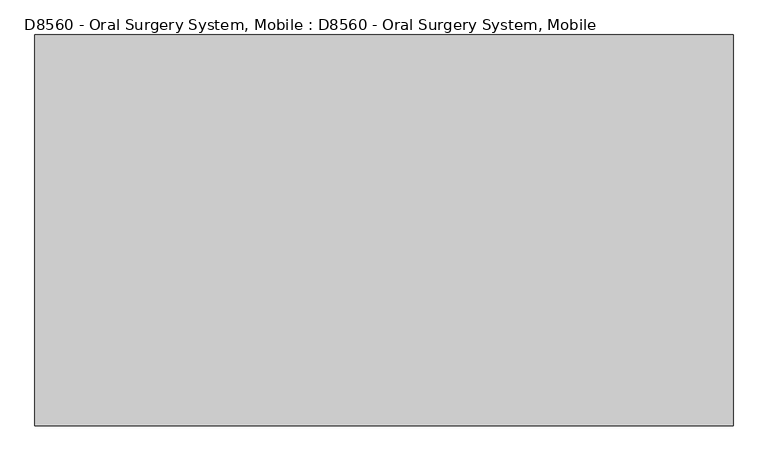
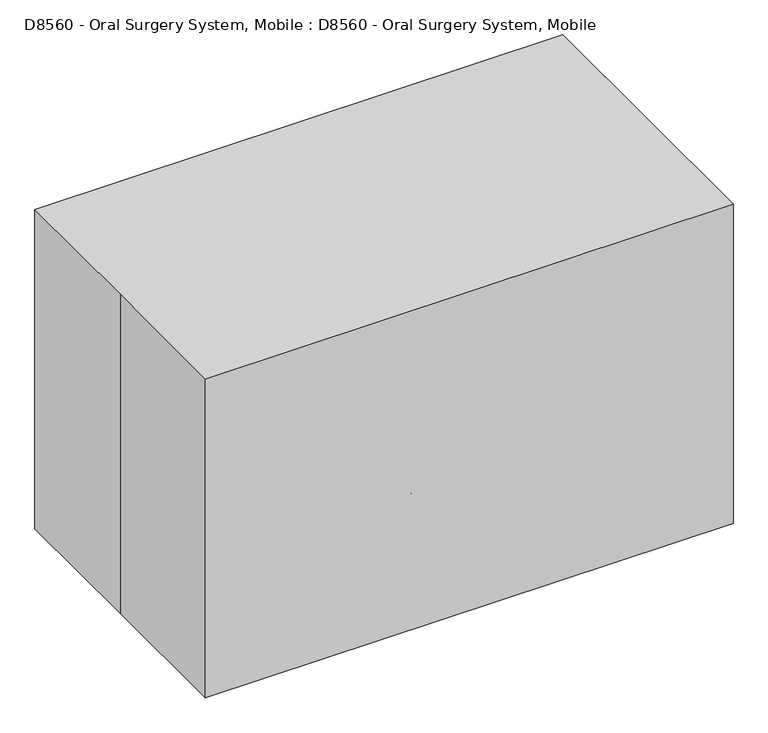
"""IFC4 building model written with IfcOpenShell, lengths in millimetres: proxy geometry, D8560 - Oral Surgery System, Mobile : D8560 - Oral Surgery System, Mobile."""

from ifc_helpers import new_model, si_unit, point, frame, frame_2d, origin, origin_with_axes, place, context, project, spatial, polyline, circle_curve, ellipse_curve, trimmed, segment, composite_curve, outline, extrude, source, transform, mapped, element, save
from ifc_brep_helpers import plane_surface, cylinder_surface, revolved_surface, advanced_brep


def d8560_oral_surgery_system_mobile_d8560_oral_surgery_system_e9309131(model_context):
    return source(origin(), model_context, "Body", "SolidModel", [
        advanced_brep(
        [(-25.4, 0.0, 586.3697178), (25.4, 0.0, 586.3697178), (-8.5967296, 23.9009674, 84.7967296), (8.5967296, 23.9009674, 84.7967296), (8.5967296, -23.9009674, 84.7967296), (-8.5967296, -23.9009674, 84.7967296), (-25.4, 0.0, 101.6), (25.4, 0.0, 101.6), (-177.8, -228.6, 76.2), (-228.6, -228.6, 76.2), (-177.8, -25.4, 76.2), (-228.6, 25.4, 76.2), (177.8, -25.4, 76.2), (228.6, 25.4, 76.2), (177.8, -228.6, 76.2), (228.6, -228.6, 76.2)],
        [
            (0, 1, circle_curve(frame((0.0, 0.0, 586.3697178), z_axis=(0.0, 0.0, 1.0), x_axis=(1.0, 0.0, 0.0)), 25.4)),
            (1, 0, circle_curve(frame((0.0, 0.0, 586.3697178), z_axis=(0.0, 0.0, 1.0), x_axis=(1.0, 0.0, 0.0)), 25.4)),
            (2, 3, circle_curve(frame((0.0, 0.0, 84.7967296), z_axis=(0.0, 0.0, -1.0), x_axis=(1.0, 0.0, 0.0)), 25.4)),
            (3, 2),
            (4, 5, circle_curve(frame((0.0, 0.0, 84.7967296), z_axis=(0.0, 0.0, -1.0), x_axis=(1.0, 0.0, 0.0)), 25.4)),
            (5, 4),
            (0, 6),
            (6, 5, ellipse_curve(frame((0.0, 0.0, 76.2), z_axis=(0.7071067811865475, 0.0, 0.7071067811865475), x_axis=(-0.7071067811865474, 0.0, 0.7071067811865476)), 35.9210245, 25.4)),
            (4, 7, ellipse_curve(frame((0.0, 0.0, 76.2), z_axis=(-0.7071067811865475, 0.0, 0.7071067811865475), x_axis=(0.7071067811865474, 0.0, 0.7071067811865476)), 35.9210245, 25.4)),
            (7, 1),
            (7, 3, ellipse_curve(frame((0.0, 0.0, 76.2), z_axis=(-0.7071067811865475, 0.0, 0.7071067811865475), x_axis=(0.7071067811865474, 0.0, 0.7071067811865476)), 35.9210245, 25.4)),
            (2, 6, ellipse_curve(frame((0.0, 0.0, 76.2), z_axis=(0.7071067811865475, 0.0, 0.7071067811865475), x_axis=(-0.7071067811865474, 0.0, 0.7071067811865476)), 35.9210245, 25.4)),
            (8, 9, circle_curve(frame((-203.2, -228.6, 76.2), z_axis=(0.0, -1.0, 0.0), x_axis=(-1.0, 0.0, 0.0)), 25.4)),
            (9, 8, circle_curve(frame((-203.2, -228.6, 76.2), z_axis=(0.0, -1.0, 0.0), x_axis=(-1.0, 0.0, 0.0)), 25.4)),
            (8, 10),
            (10, 11, ellipse_curve(frame((-203.2, 0.0, 76.2), z_axis=(-0.7071067811865475, -0.7071067811865475, 0.0), x_axis=(0.7071067811865474, -0.7071067811865476, 0.0)), 35.9210245, 25.4)),
            (11, 9),
            (11, 10, ellipse_curve(frame((-203.2, 0.0, 76.2), z_axis=(-0.7071067811865475, -0.7071067811865475, 0.0), x_axis=(0.7071067811865474, -0.7071067811865476, 0.0)), 35.9210245, 25.4)),
            (10, 12),
            (12, 13, ellipse_curve(frame((203.2, 0.0, 76.2), z_axis=(-0.7071067811865475, 0.7071067811865475, 0.0), x_axis=(-0.7071067811865476, -0.7071067811865474, 0.0)), 35.9210245, 25.4)),
            (13, 11),
            (13, 12, ellipse_curve(frame((203.2, 0.0, 76.2), z_axis=(-0.7071067811865475, 0.7071067811865475, 0.0), x_axis=(-0.7071067811865476, -0.7071067811865474, 0.0)), 35.9210245, 25.4)),
            (14, 15, circle_curve(frame((203.2, -228.6, 76.2), z_axis=(0.0, -1.0, 0.0), x_axis=(1.0, 0.0, 0.0)), 25.4)),
            (15, 14, circle_curve(frame((203.2, -228.6, 76.2), z_axis=(0.0, -1.0, 0.0), x_axis=(1.0, 0.0, 0.0)), 25.4)),
            (12, 14),
            (15, 13),
        ],
        [
            plane_surface(frame((25.4, 0.0, 586.3697178), z_axis=(0.0, 0.0, 1.0), x_axis=(0.0, 1.0, 0.0))),
            plane_surface(frame((25.4, 0.0, 84.7967296), z_axis=(0.0, 0.0, -1.0), x_axis=(0.0, -1.0, 0.0))),
            cylinder_surface(frame((0.0, 0.0, 84.7967296), z_axis=(0.0, 0.0, 1.0), x_axis=(1.0, 0.0, 0.0)), 25.4),
            plane_surface(frame((-203.2, -228.6, 0.0), z_axis=(0.0, -1.0, 0.0), x_axis=(0.0, 0.0, 1.0))),
            cylinder_surface(frame((-203.2, -228.6, 76.2), z_axis=(0.0, -1.0, 0.0), x_axis=(-1.0, 0.0, 0.0)), 25.4),
            cylinder_surface(frame((-203.2, 0.0, 76.2), z_axis=(-1.0, 0.0, 0.0), x_axis=(0.0, 1.0, 0.0)), 25.4),
            plane_surface(frame((203.2, -228.6, 0.0), z_axis=(0.0, -1.0, 0.0), x_axis=(0.0, 0.0, 1.0))),
            cylinder_surface(frame((203.2, 0.0, 76.2), z_axis=(0.0, 1.0, 0.0), x_axis=(1.0, 0.0, 0.0)), 25.4),
        ],
        [
            (0, [[1, 2]]),
            (1, [[3, 4]]),
            (1, [[5, 6]]),
            (2, [[-1, 7, 8, -5, 9, 10]]),
            (2, [[-2, -10, 11, -3, 12, -7]]),
            (3, [[13, 14]]),
            (4, [[-13, 15, 16, 17]]),
            (4, [[-14, -17, 18, -15]]),
            (5, [[-16, 19, 20, 21], [-4, -11, -9, -6, -8, -12]]),
            (5, [[-18, -21, 22, -19]]),
            (6, [[23, 24]]),
            (7, [[-20, 25, -24, 26]]),
            (7, [[-22, -26, -23, -25]]),
        ],
    ),
        extrude(outline(composite_curve([segment(trimmed(circle_curve(frame_2d((-16.1162941, 25.4533441)), 25.4), [point((-41.5162941, 25.4533441))], [point((9.2837059, 25.4533441))], False, "CARTESIAN"), True, "CONTINUOUS"), segment(trimmed(circle_curve(frame_2d((-16.1162941, 25.4533441)), 25.4), [point((9.2837059, 25.4533441))], [point((-41.5162941, 25.4533441))], False, "CARTESIAN"), True, "CONTINUOUS")], self_intersect=False)), frame((-215.9, 0.0, 0.0), z_axis=(1.0, 0.0, 0.0), x_axis=(0.0, 1.0, 0.0)), (0.0, 0.0, 1.0), 25.4),
        extrude(outline(composite_curve([segment(trimmed(circle_curve(frame_2d((-200.2662941, 25.4533441)), 25.4), [point((-225.6662941, 25.4533441))], [point((-174.8662941, 25.4533441))], False, "CARTESIAN"), True, "CONTINUOUS"), segment(trimmed(circle_curve(frame_2d((-200.2662941, 25.4533441)), 25.4), [point((-174.8662941, 25.4533441))], [point((-225.6662941, 25.4533441))], False, "CARTESIAN"), True, "CONTINUOUS")], self_intersect=False)), frame((-215.9, 0.0, 0.0), z_axis=(1.0, 0.0, 0.0), x_axis=(0.0, 1.0, 0.0)), (0.0, 0.0, 1.0), 25.4),
        extrude(outline(composite_curve([segment(trimmed(circle_curve(frame_2d((-16.1162941, 25.4533441)), 25.4), [point((-41.5162941, 25.4533441))], [point((9.2837059, 25.4533441))], False, "CARTESIAN"), True, "CONTINUOUS"), segment(trimmed(circle_curve(frame_2d((-16.1162941, 25.4533441)), 25.4), [point((9.2837059, 25.4533441))], [point((-41.5162941, 25.4533441))], False, "CARTESIAN"), True, "CONTINUOUS")], self_intersect=False)), frame((190.5, 0.0, 0.0), z_axis=(1.0, 0.0, 0.0), x_axis=(0.0, 1.0, 0.0)), (0.0, 0.0, 1.0), 25.4),
        extrude(outline(composite_curve([segment(trimmed(circle_curve(frame_2d((-200.2662941, 25.4533441)), 25.4), [point((-225.6662941, 25.4533441))], [point((-174.8662941, 25.4533441))], False, "CARTESIAN"), True, "CONTINUOUS"), segment(trimmed(circle_curve(frame_2d((-200.2662941, 25.4533441)), 25.4), [point((-174.8662941, 25.4533441))], [point((-225.6662941, 25.4533441))], False, "CARTESIAN"), True, "CONTINUOUS")], self_intersect=False)), frame((190.5, 0.0, 0.0), z_axis=(1.0, 0.0, 0.0), x_axis=(0.0, 1.0, 0.0)), (0.0, 0.0, 1.0), 25.4),
        advanced_brep(
        [(-84.3168659, -294.2696287, 539.2894616), (-77.9283092, -294.2696287, 539.2894616), (-84.3168659, -294.2696287, 355.1394616), (-77.9283092, -294.2696287, 355.1394616), (-77.9283092, -332.3696287, 355.1394616), (-84.3168659, -332.3696287, 355.1394616), (-84.3168659, -332.3696287, 539.2894616), (-77.9283092, -332.3696287, 539.2894616)],
        [
            (0, 1, circle_curve(frame((-81.1225875, -294.2696287, 539.2894616), z_axis=(0.0, 0.0, 1.0), x_axis=(1.0, 0.0, 0.0)), 3.1942784)),
            (1, 0, circle_curve(frame((-81.1225875, -294.2696287, 539.2894616), z_axis=(0.0, 0.0, 1.0), x_axis=(1.0, 0.0, 0.0)), 3.1942784)),
            (0, 2),
            (2, 3, circle_curve(frame((-81.1225875, -294.2696287, 355.1394616), z_axis=(0.0, 0.0, 1.0), x_axis=(1.0, 0.0, 0.0)), 3.1942784)),
            (3, 1),
            (3, 2, circle_curve(frame((-81.1225875, -294.2696287, 355.1394616), z_axis=(0.0, 0.0, 1.0), x_axis=(1.0, 0.0, 0.0)), 3.1942784)),
            (4, 3, circle_curve(frame((-77.9283092, -313.3196287, 355.1394616), z_axis=(1.0, 0.0, 0.0), x_axis=(0.0, 1.0, 0.0)), 19.05)),
            (2, 5, circle_curve(frame((-84.3168659, -313.3196287, 355.1394616), z_axis=(-1.0, 0.0, 0.0), x_axis=(0.0, 1.0, 0.0)), 19.05)),
            (5, 4, circle_curve(frame((-81.1225875, -332.3696287, 355.1394616), z_axis=(0.0, 0.0, -1.0), x_axis=(1.0, 0.0, 0.0)), 3.1942784)),
            (4, 5, circle_curve(frame((-81.1225875, -332.3696287, 355.1394616), z_axis=(0.0, 0.0, -1.0), x_axis=(1.0, 0.0, 0.0)), 3.1942784)),
            (6, 7, circle_curve(frame((-81.1225875, -332.3696287, 539.2894616), z_axis=(0.0, 0.0, 1.0), x_axis=(1.0, 0.0, 0.0)), 3.1942784)),
            (7, 6, circle_curve(frame((-81.1225875, -332.3696287, 539.2894616), z_axis=(0.0, 0.0, 1.0), x_axis=(1.0, 0.0, 0.0)), 3.1942784)),
            (5, 6),
            (7, 4),
        ],
        [
            plane_surface(frame((-81.1225875, -294.2696287, 539.2894616), z_axis=(0.0, 0.0, 1.0), x_axis=(1.0, 0.0, 0.0))),
            cylinder_surface(frame((-81.1225875, -294.2696287, 539.2894616), z_axis=(0.0, 0.0, 1.0), x_axis=(1.0, 0.0, 0.0)), 3.1942784),
            revolved_surface(trimmed(ellipse_curve(frame((-81.1225875, -294.2696287, 355.1394616), z_axis=(0.0, 0.0, 1.0), x_axis=(1.0, 0.0, 0.0)), 3.1942784, 3.1942784), [point((-84.3168659, -294.2696287, 355.1394616))], [point((-77.9283092, -294.2696287, 355.1394616))], True, "CARTESIAN"), (-81.1225875, -313.3196287, 355.1394616), (-1.0, 0.0, 0.0)),
            revolved_surface(trimmed(ellipse_curve(frame((-81.1225875, -294.2696287, 355.1394616), z_axis=(0.0, 0.0, 1.0), x_axis=(1.0, 0.0, 0.0)), 3.1942784, 3.1942784), [point((-77.9283092, -294.2696287, 355.1394616))], [point((-84.3168659, -294.2696287, 355.1394616))], True, "CARTESIAN"), (-81.1225875, -313.3196287, 355.1394616), (-1.0, 0.0, 0.0)),
            plane_surface(frame((-81.1225875, -332.3696287, 539.2894616), z_axis=(0.0, 0.0, 1.0), x_axis=(1.0, 0.0, 0.0))),
            cylinder_surface(frame((-81.1225875, -332.3696287, 355.1394616), z_axis=(0.0, 0.0, -1.0), x_axis=(1.0, 0.0, 0.0)), 3.1942784),
        ],
        [
            (0, [[1, 2]]),
            (1, [[-1, 3, 4, 5]]),
            (1, [[-2, -5, 6, -3]]),
            (2, [[7, -4, 8, 9]]),
            (3, [[-8, -6, -7, 10]]),
            (4, [[11, 12]]),
            (5, [[-9, 13, -12, 14]]),
            (5, [[-10, -14, -11, -13]]),
        ],
    ),
        advanced_brep(
        [(-33.5168659, -294.2696287, 539.2894616), (-27.1283092, -294.2696287, 539.2894616), (-33.5168659, -294.2696287, 355.1394616), (-27.1283092, -294.2696287, 355.1394616), (-27.1283092, -332.3696287, 355.1394616), (-33.5168659, -332.3696287, 355.1394616), (-33.5168659, -332.3696287, 539.2894616), (-27.1283092, -332.3696287, 539.2894616)],
        [
            (0, 1, circle_curve(frame((-30.3225875, -294.2696287, 539.2894616), z_axis=(0.0, 0.0, 1.0), x_axis=(1.0, 0.0, 0.0)), 3.1942784)),
            (1, 0, circle_curve(frame((-30.3225875, -294.2696287, 539.2894616), z_axis=(0.0, 0.0, 1.0), x_axis=(1.0, 0.0, 0.0)), 3.1942784)),
            (0, 2),
            (2, 3, circle_curve(frame((-30.3225875, -294.2696287, 355.1394616), z_axis=(0.0, 0.0, 1.0), x_axis=(1.0, 0.0, 0.0)), 3.1942784)),
            (3, 1),
            (3, 2, circle_curve(frame((-30.3225875, -294.2696287, 355.1394616), z_axis=(0.0, 0.0, 1.0), x_axis=(1.0, 0.0, 0.0)), 3.1942784)),
            (4, 3, circle_curve(frame((-27.1283092, -313.3196287, 355.1394616), z_axis=(1.0, 0.0, 0.0), x_axis=(0.0, 1.0, 0.0)), 19.05)),
            (2, 5, circle_curve(frame((-33.5168659, -313.3196287, 355.1394616), z_axis=(-1.0, 0.0, 0.0), x_axis=(0.0, 1.0, 0.0)), 19.05)),
            (5, 4, circle_curve(frame((-30.3225875, -332.3696287, 355.1394616), z_axis=(0.0, 0.0, -1.0), x_axis=(1.0, 0.0, 0.0)), 3.1942784)),
            (4, 5, circle_curve(frame((-30.3225875, -332.3696287, 355.1394616), z_axis=(0.0, 0.0, -1.0), x_axis=(1.0, 0.0, 0.0)), 3.1942784)),
            (6, 7, circle_curve(frame((-30.3225875, -332.3696287, 539.2894616), z_axis=(0.0, 0.0, 1.0), x_axis=(1.0, 0.0, 0.0)), 3.1942784)),
            (7, 6, circle_curve(frame((-30.3225875, -332.3696287, 539.2894616), z_axis=(0.0, 0.0, 1.0), x_axis=(1.0, 0.0, 0.0)), 3.1942784)),
            (5, 6),
            (7, 4),
        ],
        [
            plane_surface(frame((-30.3225875, -294.2696287, 539.2894616), z_axis=(0.0, 0.0, 1.0), x_axis=(1.0, 0.0, 0.0))),
            cylinder_surface(frame((-30.3225875, -294.2696287, 539.2894616), z_axis=(0.0, 0.0, 1.0), x_axis=(1.0, 0.0, 0.0)), 3.1942784),
            revolved_surface(trimmed(ellipse_curve(frame((-30.3225875, -294.2696287, 355.1394616), z_axis=(0.0, 0.0, 1.0), x_axis=(1.0, 0.0, 0.0)), 3.1942784, 3.1942784), [point((-33.5168659, -294.2696287, 355.1394616))], [point((-27.1283092, -294.2696287, 355.1394616))], True, "CARTESIAN"), (-30.3225875, -313.3196287, 355.1394616), (-1.0, 0.0, 0.0)),
            revolved_surface(trimmed(ellipse_curve(frame((-30.3225875, -294.2696287, 355.1394616), z_axis=(0.0, 0.0, 1.0), x_axis=(1.0, 0.0, 0.0)), 3.1942784, 3.1942784), [point((-27.1283092, -294.2696287, 355.1394616))], [point((-33.5168659, -294.2696287, 355.1394616))], True, "CARTESIAN"), (-30.3225875, -313.3196287, 355.1394616), (-1.0, 0.0, 0.0)),
            plane_surface(frame((-30.3225875, -332.3696287, 539.2894616), z_axis=(0.0, 0.0, 1.0), x_axis=(1.0, 0.0, 0.0))),
            cylinder_surface(frame((-30.3225875, -332.3696287, 355.1394616), z_axis=(0.0, 0.0, -1.0), x_axis=(1.0, 0.0, 0.0)), 3.1942784),
        ],
        [
            (0, [[1, 2]]),
            (1, [[-1, 3, 4, 5]]),
            (1, [[-2, -5, 6, -3]]),
            (2, [[7, -4, 8, 9]]),
            (3, [[-8, -6, -7, 10]]),
            (4, [[11, 12]]),
            (5, [[-9, 13, -12, 14]]),
            (5, [[-10, -14, -11, -13]]),
        ],
    ),
        advanced_brep(
        [(17.2831341, -294.2696287, 539.2894616), (23.6716908, -294.2696287, 539.2894616), (17.2831341, -294.2696287, 355.1394616), (23.6716908, -294.2696287, 355.1394616), (23.6716908, -332.3696287, 355.1394616), (17.2831341, -332.3696287, 355.1394616), (17.2831341, -332.3696287, 539.2894616), (23.6716908, -332.3696287, 539.2894616)],
        [
            (0, 1, circle_curve(frame((20.4774125, -294.2696287, 539.2894616), z_axis=(0.0, 0.0, 1.0), x_axis=(1.0, 0.0, 0.0)), 3.1942784)),
            (1, 0, circle_curve(frame((20.4774125, -294.2696287, 539.2894616), z_axis=(0.0, 0.0, 1.0), x_axis=(1.0, 0.0, 0.0)), 3.1942784)),
            (0, 2),
            (2, 3, circle_curve(frame((20.4774125, -294.2696287, 355.1394616), z_axis=(0.0, 0.0, 1.0), x_axis=(1.0, 0.0, 0.0)), 3.1942784)),
            (3, 1),
            (3, 2, circle_curve(frame((20.4774125, -294.2696287, 355.1394616), z_axis=(0.0, 0.0, 1.0), x_axis=(1.0, 0.0, 0.0)), 3.1942784)),
            (4, 3, circle_curve(frame((23.6716908, -313.3196287, 355.1394616), z_axis=(1.0, 0.0, 0.0), x_axis=(0.0, 1.0, 0.0)), 19.05)),
            (2, 5, circle_curve(frame((17.2831341, -313.3196287, 355.1394616), z_axis=(-1.0, 0.0, 0.0), x_axis=(0.0, 1.0, 0.0)), 19.05)),
            (5, 4, circle_curve(frame((20.4774125, -332.3696287, 355.1394616), z_axis=(0.0, 0.0, -1.0), x_axis=(1.0, 0.0, 0.0)), 3.1942784)),
            (4, 5, circle_curve(frame((20.4774125, -332.3696287, 355.1394616), z_axis=(0.0, 0.0, -1.0), x_axis=(1.0, 0.0, 0.0)), 3.1942784)),
            (6, 7, circle_curve(frame((20.4774125, -332.3696287, 539.2894616), z_axis=(0.0, 0.0, 1.0), x_axis=(1.0, 0.0, 0.0)), 3.1942784)),
            (7, 6, circle_curve(frame((20.4774125, -332.3696287, 539.2894616), z_axis=(0.0, 0.0, 1.0), x_axis=(1.0, 0.0, 0.0)), 3.1942784)),
            (5, 6),
            (7, 4),
        ],
        [
            plane_surface(frame((20.4774125, -294.2696287, 539.2894616), z_axis=(0.0, 0.0, 1.0), x_axis=(1.0, 0.0, 0.0))),
            cylinder_surface(frame((20.4774125, -294.2696287, 539.2894616), z_axis=(0.0, 0.0, 1.0), x_axis=(1.0, 0.0, 0.0)), 3.1942784),
            revolved_surface(trimmed(ellipse_curve(frame((20.4774125, -294.2696287, 355.1394616), z_axis=(0.0, 0.0, 1.0), x_axis=(1.0, 0.0, 0.0)), 3.1942784, 3.1942784), [point((17.2831341, -294.2696287, 355.1394616))], [point((23.6716908, -294.2696287, 355.1394616))], True, "CARTESIAN"), (20.4774125, -313.3196287, 355.1394616), (-1.0, 0.0, 0.0)),
            revolved_surface(trimmed(ellipse_curve(frame((20.4774125, -294.2696287, 355.1394616), z_axis=(0.0, 0.0, 1.0), x_axis=(1.0, 0.0, 0.0)), 3.1942784, 3.1942784), [point((23.6716908, -294.2696287, 355.1394616))], [point((17.2831341, -294.2696287, 355.1394616))], True, "CARTESIAN"), (20.4774125, -313.3196287, 355.1394616), (-1.0, 0.0, 0.0)),
            plane_surface(frame((20.4774125, -332.3696287, 539.2894616), z_axis=(0.0, 0.0, 1.0), x_axis=(1.0, 0.0, 0.0))),
            cylinder_surface(frame((20.4774125, -332.3696287, 355.1394616), z_axis=(0.0, 0.0, -1.0), x_axis=(1.0, 0.0, 0.0)), 3.1942784),
        ],
        [
            (0, [[1, 2]]),
            (1, [[-1, 3, 4, 5]]),
            (1, [[-2, -5, 6, -3]]),
            (2, [[7, -4, 8, 9]]),
            (3, [[-8, -6, -7, 10]]),
            (4, [[11, 12]]),
            (5, [[-9, 13, -12, 14]]),
            (5, [[-10, -14, -11, -13]]),
        ],
    ),
        advanced_brep(
        [(68.0831341, -294.2696287, 539.2894616), (74.4716908, -294.2696287, 539.2894616), (68.0831341, -294.2696287, 355.1394616), (74.4716908, -294.2696287, 355.1394616), (74.4716908, -332.3696287, 355.1394616), (68.0831341, -332.3696287, 355.1394616), (68.0831341, -332.3696287, 539.2894616), (74.4716908, -332.3696287, 539.2894616)],
        [
            (0, 1, circle_curve(frame((71.2774125, -294.2696287, 539.2894616), z_axis=(0.0, 0.0, 1.0), x_axis=(1.0, 0.0, 0.0)), 3.1942784)),
            (1, 0, circle_curve(frame((71.2774125, -294.2696287, 539.2894616), z_axis=(0.0, 0.0, 1.0), x_axis=(1.0, 0.0, 0.0)), 3.1942784)),
            (0, 2),
            (2, 3, circle_curve(frame((71.2774125, -294.2696287, 355.1394616), z_axis=(0.0, 0.0, 1.0), x_axis=(1.0, 0.0, 0.0)), 3.1942784)),
            (3, 1),
            (3, 2, circle_curve(frame((71.2774125, -294.2696287, 355.1394616), z_axis=(0.0, 0.0, 1.0), x_axis=(1.0, 0.0, 0.0)), 3.1942784)),
            (4, 3, circle_curve(frame((74.4716908, -313.3196287, 355.1394616), z_axis=(1.0, 0.0, 0.0), x_axis=(0.0, 1.0, 0.0)), 19.05)),
            (2, 5, circle_curve(frame((68.0831341, -313.3196287, 355.1394616), z_axis=(-1.0, 0.0, 0.0), x_axis=(0.0, 1.0, 0.0)), 19.05)),
            (5, 4, circle_curve(frame((71.2774125, -332.3696287, 355.1394616), z_axis=(0.0, 0.0, -1.0), x_axis=(1.0, 0.0, 0.0)), 3.1942784)),
            (4, 5, circle_curve(frame((71.2774125, -332.3696287, 355.1394616), z_axis=(0.0, 0.0, -1.0), x_axis=(1.0, 0.0, 0.0)), 3.1942784)),
            (6, 7, circle_curve(frame((71.2774125, -332.3696287, 539.2894616), z_axis=(0.0, 0.0, 1.0), x_axis=(1.0, 0.0, 0.0)), 3.1942784)),
            (7, 6, circle_curve(frame((71.2774125, -332.3696287, 539.2894616), z_axis=(0.0, 0.0, 1.0), x_axis=(1.0, 0.0, 0.0)), 3.1942784)),
            (5, 6),
            (7, 4),
        ],
        [
            plane_surface(frame((71.2774125, -294.2696287, 539.2894616), z_axis=(0.0, 0.0, 1.0), x_axis=(1.0, 0.0, 0.0))),
            cylinder_surface(frame((71.2774125, -294.2696287, 539.2894616), z_axis=(0.0, 0.0, 1.0), x_axis=(1.0, 0.0, 0.0)), 3.1942784),
            revolved_surface(trimmed(ellipse_curve(frame((71.2774125, -294.2696287, 355.1394616), z_axis=(0.0, 0.0, 1.0), x_axis=(1.0, 0.0, 0.0)), 3.1942784, 3.1942784), [point((68.0831341, -294.2696287, 355.1394616))], [point((74.4716908, -294.2696287, 355.1394616))], True, "CARTESIAN"), (71.2774125, -313.3196287, 355.1394616), (-1.0, 0.0, 0.0)),
            revolved_surface(trimmed(ellipse_curve(frame((71.2774125, -294.2696287, 355.1394616), z_axis=(0.0, 0.0, 1.0), x_axis=(1.0, 0.0, 0.0)), 3.1942784, 3.1942784), [point((74.4716908, -294.2696287, 355.1394616))], [point((68.0831341, -294.2696287, 355.1394616))], True, "CARTESIAN"), (71.2774125, -313.3196287, 355.1394616), (-1.0, 0.0, 0.0)),
            plane_surface(frame((71.2774125, -332.3696287, 539.2894616), z_axis=(0.0, 0.0, 1.0), x_axis=(1.0, 0.0, 0.0))),
            cylinder_surface(frame((71.2774125, -332.3696287, 355.1394616), z_axis=(0.0, 0.0, -1.0), x_axis=(1.0, 0.0, 0.0)), 3.1942784),
        ],
        [
            (0, [[1, 2]]),
            (1, [[-1, 3, 4, 5]]),
            (1, [[-2, -5, 6, -3]]),
            (2, [[7, -4, 8, 9]]),
            (3, [[-8, -6, -7, 10]]),
            (4, [[11, 12]]),
            (5, [[-9, 13, -12, 14]]),
            (5, [[-10, -14, -11, -13]]),
        ],
    ),
        extrude(outline(polyline([(76.2, 687.9697178), (76.2, 586.3697178), (-228.6, 586.3697178), (-264.5210245, 550.4486933), (-275.6802561, 539.2894616), (-342.2617928, 539.2894616), (-342.2617928, 577.3894616), (-291.4617928, 577.3894616), (-180.8815367, 687.9697178), (76.2, 687.9697178)])), frame((-152.4, 0.0, 0.0), z_axis=(1.0, 0.0, 0.0), x_axis=(0.0, 1.0, 0.0)), (0.0, 0.0, 1.0), 304.8),
        extrude(outline(polyline([(-952.5, 533.4), (952.5, 533.4), (952.5, -533.4), (-952.5, -533.4), (-952.5, 0.0), (-952.5, 533.4)])), origin_with_axes(), (0.0, 0.0, 1.0), 1219.2),
    ])


if __name__ == "__main__":
    model = new_model("IFC4")
    model_context = context("Model", 3, world=origin())
    ifc_project = project(units=[si_unit("LENGTHUNIT", "METRE", prefix="MILLI")], contexts=[model_context])
    site = spatial("IfcSite", under=ifc_project)
    building = spatial("IfcBuilding", under=site)
    placement = place(None, origin())
    d8560_oral_surgery_system_mobile_d8560_oral_surgery_system_shape = d8560_oral_surgery_system_mobile_d8560_oral_surgery_system_e9309131(model_context)
    element("IfcBuildingElementProxy", 1, Name="D8560 - Oral Surgery System, Mobile : D8560 - Oral Surgery System, Mobile", ObjectType="D8560 - Oral Surgery System, Mobile : D8560 - Oral Surgery System, Mobile", at=placement, inside=building, context=model_context, shape_type="MappedRepresentation", body=[
        mapped(d8560_oral_surgery_system_mobile_d8560_oral_surgery_system_shape, transform((0.0, 0.0, 0.0), x_axis=(1.0, 0.0, 0.0), y_axis=(0.0, 1.0, 0.0), z_axis=(0.0, 0.0, 1.0))),
    ])
    save(model, "model.ifc")
